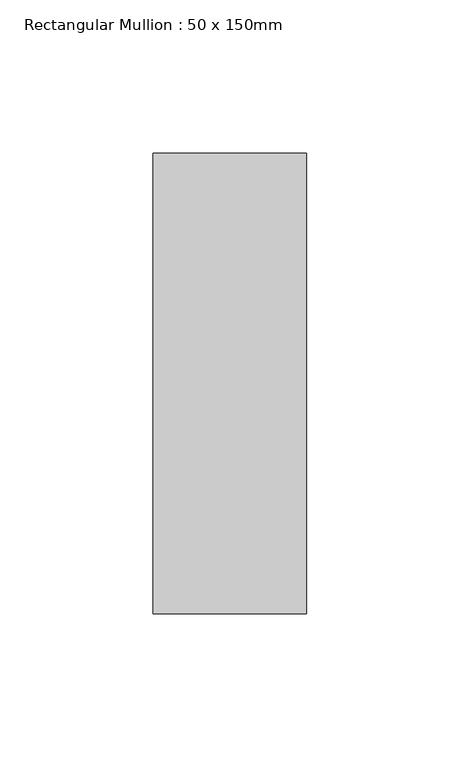
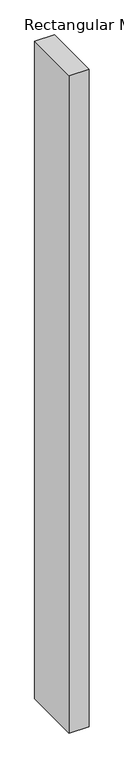
"""IFC4 building model written with IfcOpenShell, lengths in millimetres: member geometry, Rectangular Mullion : 50 x 150mm."""

from ifc_helpers import new_model, si_unit, frame, origin, place, context, project, spatial, polyline, outline, extrude, source, transform, mapped, element, save


def rectangular_mullion_50_x_150mm_2b419de2(model_context):
    return source(origin(), model_context, "Body", "SweptSolid", [
        extrude(outline(polyline([(0.0, 75.0), (0.0, -75.0), (-50.0, -75.0), (-50.0, 75.0), (0.0, 75.0)])), frame((0.0, 0.0, -1749.6515946), z_axis=(0.0, 0.0, 1.0), x_axis=(1.0, 0.0, 0.0)), (0.0, 0.0, 1.0), 1749.6515946),
    ])


if __name__ == "__main__":
    model = new_model("IFC4")
    model_context = context("Model", 3, world=origin())
    ifc_project = project(units=[si_unit("LENGTHUNIT", "METRE", prefix="MILLI")], contexts=[model_context])
    site = spatial("IfcSite", under=ifc_project)
    building = spatial("IfcBuilding", under=site)
    placement = place(None, origin())
    rectangular_mullion_50_x_150mm_shape = rectangular_mullion_50_x_150mm_2b419de2(model_context)
    element("IfcMember", 1, ObjectType="Rectangular Mullion : 50 x 150mm", at=placement, inside=building, context=model_context, shape_type="MappedRepresentation", body=[
        mapped(rectangular_mullion_50_x_150mm_shape, transform((0.0, 0.0, 0.0), x_axis=(1.0, 0.0, 0.0), y_axis=(0.0, 1.0, 0.0), z_axis=(0.0, 0.0, 1.0))),
    ])
    save(model, "model.ifc")
